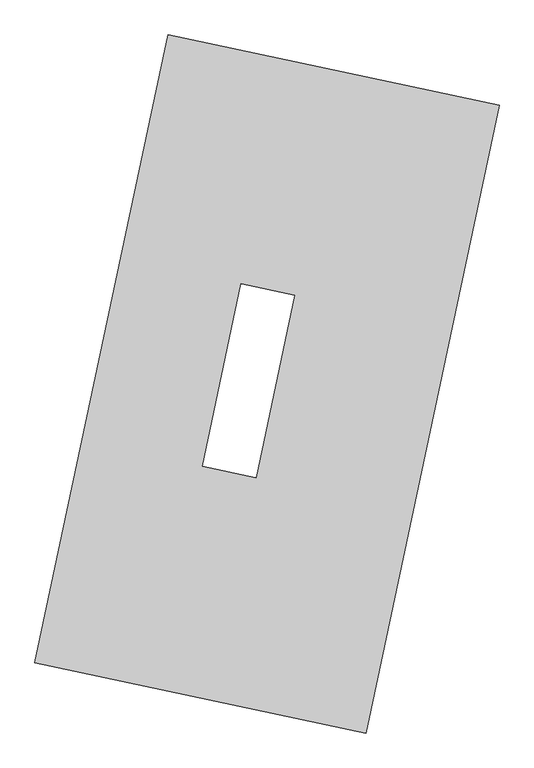
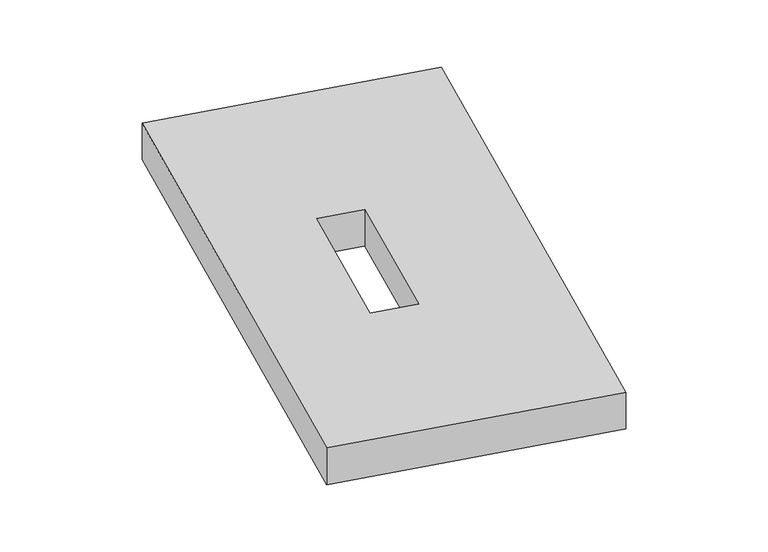
"""IFC4 building model written with IfcOpenShell, lengths in millimetres: proxy geometry."""

import ifcopenshell
import ifcopenshell.guid

model = None  # the IFC model being written
_history = None  # IfcOwnerHistory: only IFC2X3 demands one
_inside = {}  # id of a spatial element -> (the spatial element, [elements in it])
_under = {}  # id of a project, library or spatial element -> (it, [spatial elements below it])
_declared = {}  # id of a project -> (the project, [libraries it declares])
_typed = {}  # id of a type object -> (the type object, [elements of that type])
_made_of = {}  # id of a material, layer set ... -> (it, [elements and type objects made of it])


def new_model(schema):
    """Start an empty IFC model of exactly this schema.

    Asked for "IFC4X3", IfcOpenShell would pick the latest addendum, in which some entities
    have other attributes; the version numbers below select the first issue.
    IFC2X3 requires an IfcOwnerHistory on every rooted entity: one is made here for all.
    """
    global model, _history
    if schema == "IFC4X3":
        model = ifcopenshell.file(schema_version=(4, 3, 0, 0))
    else:
        model = ifcopenshell.file(schema=schema)
    _inside.clear()
    _under.clear()
    _declared.clear()
    _typed.clear()
    _made_of.clear()
    _history = None
    if model.schema == "IFC2X3":
        org = make("IfcOrganization", Name="unknown")
        user = make(
            "IfcPersonAndOrganization",
            ThePerson=make("IfcPerson", FamilyName="unknown"),
            TheOrganization=org,
        )
        app = make(
            "IfcApplication",
            ApplicationDeveloper=org,
            Version="unknown",
            ApplicationFullName="unknown",
            ApplicationIdentifier="unknown",
        )
        _history = make(
            "IfcOwnerHistory",
            OwningUser=user,
            OwningApplication=app,
            ChangeAction="ADDED",
            CreationDate=0,
        )
    return model


def make(cls, **values):
    """One entity of the class cls with the attributes given. An attribute that is None is left unset."""
    return model.create_entity(
        cls, **{name: value for name, value in values.items() if value is not None}
    )


def rooted(cls, **values):
    """An entity with a GlobalId (a new one), such as an element, a storey or a relation."""
    return make(cls, GlobalId=ifcopenshell.guid.new(), OwnerHistory=_history, **values)


def si_unit(unit_type, name, prefix=None):
    """IfcSIUnit, for example si_unit("LENGTHUNIT", "METRE", prefix="MILLI")."""
    return make("IfcSIUnit", UnitType=unit_type, Prefix=prefix, Name=name)


def assignment(units):
    """IfcUnitAssignment: the units of a project."""
    return None if units is None else make("IfcUnitAssignment", Units=units)


def point(xyz):
    """IfcCartesianPoint."""
    return None if xyz is None else make("IfcCartesianPoint", Coordinates=xyz)


def direction(xyz):
    """IfcDirection."""
    return None if xyz is None else make("IfcDirection", DirectionRatios=xyz)


def frame(location, z_axis=None, x_axis=None):
    """IfcAxis2Placement3D, a coordinate frame: its origin and axes. An axis left out is left unset."""
    return make(
        "IfcAxis2Placement3D",
        Location=point(location),
        Axis=direction(z_axis),
        RefDirection=direction(x_axis),
    )


def origin():
    """The frame at (0, 0, 0) with its axes left unset."""
    return frame((0.0, 0.0, 0.0))


def origin_with_axes():
    """The frame at (0, 0, 0) with the z axis (0, 0, 1) and the x axis (1, 0, 0) written out."""
    return frame((0.0, 0.0, 0.0), z_axis=(0.0, 0.0, 1.0), x_axis=(1.0, 0.0, 0.0))


def place(relative_to, where):
    """IfcLocalPlacement: puts the frame where relative to a parent placement (None: the world)."""
    return make(
        "IfcLocalPlacement", PlacementRelTo=relative_to, RelativePlacement=where
    )


def context(
    kind, dimensions, precision=None, world=None, true_north=None, identifier=None
):
    """IfcGeometricRepresentationContext, for example the 3D "Model" context."""
    return make(
        "IfcGeometricRepresentationContext",
        ContextIdentifier=identifier,
        ContextType=kind,
        CoordinateSpaceDimension=dimensions,
        Precision=precision,
        WorldCoordinateSystem=world,
        TrueNorth=true_north,
    )


def project(units=None, contexts=None):
    """IfcProject with its units and contexts."""
    return rooted(
        "IfcProject",
        Name="project",
        RepresentationContexts=contexts,
        UnitsInContext=assignment(units),
    )


def spatial(cls, under=None, at=None, **own):
    """A site, building, storey or space (cls), placed at a placement, below another one or the project."""
    s = rooted(cls, ObjectPlacement=at, **own)
    if under is not None:
        _under.setdefault(under.id(), (under, []))[1].append(s)
    return s


def polyline(points):
    """IfcPolyline through the points."""
    return make("IfcPolyline", Points=[point(p) for p in points])


def outline(outer, holes=None, kind="AREA"):
    """IfcArbitraryClosedProfileDef: a profile drawn as a closed curve; with holes, ...WithVoids."""
    if holes is None:
        return make("IfcArbitraryClosedProfileDef", ProfileType=kind, OuterCurve=outer)
    return make(
        "IfcArbitraryProfileDefWithVoids",
        ProfileType=kind,
        OuterCurve=outer,
        InnerCurves=holes,
    )


def extrude(swept, where, along, depth):
    """IfcExtrudedAreaSolid: the profile swept, set in the frame where, extruded along a direction by depth."""
    return make(
        "IfcExtrudedAreaSolid",
        SweptArea=swept,
        Position=where,
        ExtrudedDirection=direction(along),
        Depth=depth,
    )


def shape(context_of_items, identifier, shape_type, items):
    """IfcShapeRepresentation: the items that make up one representation, for example the "Body"."""
    return make(
        "IfcShapeRepresentation",
        ContextOfItems=context_of_items,
        RepresentationIdentifier=identifier,
        RepresentationType=shape_type,
        Items=items,
    )


def source(mapping_origin, context_of_items, identifier, shape_type, items):
    """IfcRepresentationMap: a shape defined once, which mapped items show again and again."""
    return make(
        "IfcRepresentationMap",
        MappingOrigin=mapping_origin,
        MappedRepresentation=shape(context_of_items, identifier, shape_type, items),
    )


def transform(
    local_origin,
    x_axis=None,
    y_axis=None,
    z_axis=None,
    scale=None,
    scale2=None,
    scale3=None,
    uniform=True,
):
    """IfcCartesianTransformationOperator3D, or its non-uniform kind. x_axis, y_axis, z_axis: its Axis1, 2, 3."""
    if uniform:
        return make(
            "IfcCartesianTransformationOperator3D",
            Axis1=direction(x_axis),
            Axis2=direction(y_axis),
            LocalOrigin=point(local_origin),
            Scale=scale,
            Axis3=direction(z_axis),
        )
    return make(
        "IfcCartesianTransformationOperator3DnonUniform",
        Axis1=direction(x_axis),
        Axis2=direction(y_axis),
        LocalOrigin=point(local_origin),
        Scale=scale,
        Axis3=direction(z_axis),
        Scale2=scale2,
        Scale3=scale3,
    )


def mapped(mapping_source, mapping_target):
    """IfcMappedItem: shows the shape of a source again, moved by a transform."""
    return make(
        "IfcMappedItem", MappingSource=mapping_source, MappingTarget=mapping_target
    )


def made_of(thing, what):
    """Note that an element or type object is made of a material, layer set ...; save() writes the relation."""
    if what is not None:
        _made_of.setdefault(what.id(), (what, []))[1].append(thing)
    return thing


def element(
    cls,
    number,
    at=None,
    inside=None,
    cuts=None,
    type_object=None,
    material=None,
    context=None,
    identifier="Body",
    shape_type=None,
    held_by="IfcProductDefinitionShape",
    body=None,
    shapes=None,
    **own,
):
    """One element of the class cls, such as IfcWall. Its Tag is "e" and its number.

    at: its placement. inside: the storey or other place that contains it. cuts: it is an
    opening in that element (IfcRelVoidsElement). A single representation is given by context,
    identifier, shape_type and body (its items); several are given by shapes. held_by: the class
    of the entity that holds the representations. save() writes the other relations.
    """
    e = rooted(cls, Tag="e%d" % number, ObjectPlacement=at, **own)
    if body is not None:
        shapes = [shape(context, identifier, shape_type, body)]
    if shapes is not None:
        e.Representation = make(held_by, Representations=shapes)
    if inside is not None:
        _inside.setdefault(inside.id(), (inside, []))[1].append(e)
    if cuts is not None:
        rooted(
            "IfcRelVoidsElement", RelatingBuildingElement=cuts, RelatedOpeningElement=e
        )
    if type_object is not None:
        _typed.setdefault(type_object.id(), (type_object, []))[1].append(e)
    return made_of(e, material)


def aggregate(whole, parts):
    """IfcRelAggregates: a whole, such as a stair, and the parts it consists of."""
    return rooted("IfcRelAggregates", RelatingObject=whole, RelatedObjects=parts)


def save(model, path):
    """Write the relations noted so far, then the file.

    IfcRelAggregates (storeys below a building ...), IfcRelContainedInSpatialStructure (elements
    in a storey), IfcRelDefinesByType, IfcRelAssociatesMaterial and IfcRelDeclares: one each for
    every whole, place, type object, material and project.
    """
    for whole, parts in _under.values():
        aggregate(whole, parts)
    for where, things in _inside.values():
        rooted(
            "IfcRelContainedInSpatialStructure",
            RelatedElements=things,
            RelatingStructure=where,
        )
    for kind, things in _typed.values():
        rooted("IfcRelDefinesByType", RelatedObjects=things, RelatingType=kind)
    for what, things in _made_of.values():
        rooted("IfcRelAssociatesMaterial", RelatedObjects=things, RelatingMaterial=what)
    for by, libraries in _declared.values():
        rooted("IfcRelDeclares", RelatingContext=by, RelatedDefinitions=libraries)
    model.write(path)


def generic_models_a6418bee(model_context):
    return source(origin(), model_context, "Body", "SweptSolid", [
        extrude(outline(polyline([(-617.3692021, 2175.5580432), (1447.7508745, 1737.3010494), (617.3692021, -2175.5580432), (-1447.7508745, -1737.3010494), (-617.3692021, 2175.5580432)]), holes=[polyline([(171.8790796, 554.0686355), (-161.4341254, 624.8039137), (-402.8895309, -512.9632245), (-69.5763259, -583.6985028), (171.8790796, 554.0686355)])]), origin_with_axes(), (0.0, 0.0, 1.0), 300.0),
    ])


if __name__ == "__main__":
    model = new_model("IFC4")
    model_context = context("Model", 3, world=origin())
    ifc_project = project(units=[si_unit("LENGTHUNIT", "METRE", prefix="MILLI")], contexts=[model_context])
    site = spatial("IfcSite", under=ifc_project)
    building = spatial("IfcBuilding", under=site)
    placement = place(None, origin())
    generic_models_shape = generic_models_a6418bee(model_context)
    element("IfcBuildingElementProxy", 1, Name="Generic Models", at=placement, inside=building, context=model_context, shape_type="MappedRepresentation", body=[
        mapped(generic_models_shape, transform((0.0, 0.0, 0.0), x_axis=(1.0, 0.0, 0.0), y_axis=(0.0, 1.0, 0.0), z_axis=(0.0, 0.0, 1.0))),
    ])
    save(model, "model.ifc")
